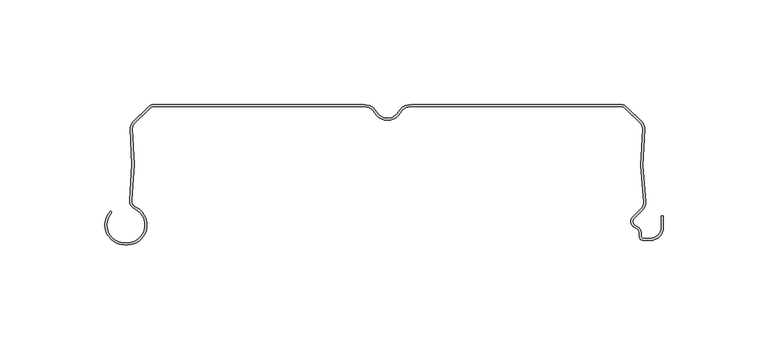
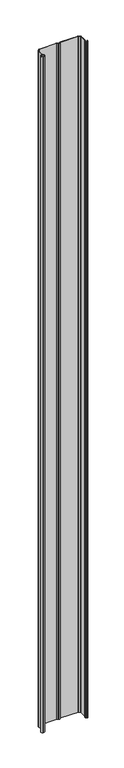
"""IFC4 building model written with IfcOpenShell, lengths in millimetres: plate geometry."""

import ifcopenshell
import ifcopenshell.guid

model = None  # the IFC model being written
_history = None  # IfcOwnerHistory: only IFC2X3 demands one
_inside = {}  # id of a spatial element -> (the spatial element, [elements in it])
_under = {}  # id of a project, library or spatial element -> (it, [spatial elements below it])
_declared = {}  # id of a project -> (the project, [libraries it declares])
_typed = {}  # id of a type object -> (the type object, [elements of that type])
_made_of = {}  # id of a material, layer set ... -> (it, [elements and type objects made of it])


def new_model(schema):
    """Start an empty IFC model of exactly this schema.

    Asked for "IFC4X3", IfcOpenShell would pick the latest addendum, in which some entities
    have other attributes; the version numbers below select the first issue.
    IFC2X3 requires an IfcOwnerHistory on every rooted entity: one is made here for all.
    """
    global model, _history
    if schema == "IFC4X3":
        model = ifcopenshell.file(schema_version=(4, 3, 0, 0))
    else:
        model = ifcopenshell.file(schema=schema)
    _inside.clear()
    _under.clear()
    _declared.clear()
    _typed.clear()
    _made_of.clear()
    _history = None
    if model.schema == "IFC2X3":
        org = make("IfcOrganization", Name="unknown")
        user = make(
            "IfcPersonAndOrganization",
            ThePerson=make("IfcPerson", FamilyName="unknown"),
            TheOrganization=org,
        )
        app = make(
            "IfcApplication",
            ApplicationDeveloper=org,
            Version="unknown",
            ApplicationFullName="unknown",
            ApplicationIdentifier="unknown",
        )
        _history = make(
            "IfcOwnerHistory",
            OwningUser=user,
            OwningApplication=app,
            ChangeAction="ADDED",
            CreationDate=0,
        )
    return model


def make(cls, **values):
    """One entity of the class cls with the attributes given. An attribute that is None is left unset."""
    return model.create_entity(
        cls, **{name: value for name, value in values.items() if value is not None}
    )


def rooted(cls, **values):
    """An entity with a GlobalId (a new one), such as an element, a storey or a relation."""
    return make(cls, GlobalId=ifcopenshell.guid.new(), OwnerHistory=_history, **values)


def si_unit(unit_type, name, prefix=None):
    """IfcSIUnit, for example si_unit("LENGTHUNIT", "METRE", prefix="MILLI")."""
    return make("IfcSIUnit", UnitType=unit_type, Prefix=prefix, Name=name)


def assignment(units):
    """IfcUnitAssignment: the units of a project."""
    return None if units is None else make("IfcUnitAssignment", Units=units)


def point(xyz):
    """IfcCartesianPoint."""
    return None if xyz is None else make("IfcCartesianPoint", Coordinates=xyz)


def direction(xyz):
    """IfcDirection."""
    return None if xyz is None else make("IfcDirection", DirectionRatios=xyz)


def frame(location, z_axis=None, x_axis=None):
    """IfcAxis2Placement3D, a coordinate frame: its origin and axes. An axis left out is left unset."""
    return make(
        "IfcAxis2Placement3D",
        Location=point(location),
        Axis=direction(z_axis),
        RefDirection=direction(x_axis),
    )


def frame_2d(location, x_axis=None):
    """IfcAxis2Placement2D, a coordinate frame in the plane: its origin and x axis."""
    return make(
        "IfcAxis2Placement2D", Location=point(location), RefDirection=direction(x_axis)
    )


def origin():
    """The frame at (0, 0, 0) with its axes left unset."""
    return frame((0.0, 0.0, 0.0))


def origin_with_axes():
    """The frame at (0, 0, 0) with the z axis (0, 0, 1) and the x axis (1, 0, 0) written out."""
    return frame((0.0, 0.0, 0.0), z_axis=(0.0, 0.0, 1.0), x_axis=(1.0, 0.0, 0.0))


def place(relative_to, where):
    """IfcLocalPlacement: puts the frame where relative to a parent placement (None: the world)."""
    return make(
        "IfcLocalPlacement", PlacementRelTo=relative_to, RelativePlacement=where
    )


def context(
    kind, dimensions, precision=None, world=None, true_north=None, identifier=None
):
    """IfcGeometricRepresentationContext, for example the 3D "Model" context."""
    return make(
        "IfcGeometricRepresentationContext",
        ContextIdentifier=identifier,
        ContextType=kind,
        CoordinateSpaceDimension=dimensions,
        Precision=precision,
        WorldCoordinateSystem=world,
        TrueNorth=true_north,
    )


def project(units=None, contexts=None):
    """IfcProject with its units and contexts."""
    return rooted(
        "IfcProject",
        Name="project",
        RepresentationContexts=contexts,
        UnitsInContext=assignment(units),
    )


def spatial(cls, under=None, at=None, **own):
    """A site, building, storey or space (cls), placed at a placement, below another one or the project."""
    s = rooted(cls, ObjectPlacement=at, **own)
    if under is not None:
        _under.setdefault(under.id(), (under, []))[1].append(s)
    return s


def polyline(points):
    """IfcPolyline through the points."""
    return make("IfcPolyline", Points=[point(p) for p in points])


def circle_curve(where, radius):
    """IfcCircle in the frame where."""
    return make("IfcCircle", Position=where, Radius=radius)


def trimmed(basis, trim1, trim2, sense, master):
    """IfcTrimmedCurve: the piece of a basis curve between two trims."""
    return make(
        "IfcTrimmedCurve",
        BasisCurve=basis,
        Trim1=trim1,
        Trim2=trim2,
        SenseAgreement=sense,
        MasterRepresentation=master,
    )


def segment(curve, same_sense, transition):
    """IfcCompositeCurveSegment."""
    return make(
        "IfcCompositeCurveSegment",
        Transition=transition,
        SameSense=same_sense,
        ParentCurve=curve,
    )


def composite_curve(segments, self_intersect=None):
    """IfcCompositeCurve: segments joined end to end."""
    return make("IfcCompositeCurve", Segments=segments, SelfIntersect=self_intersect)


def outline(outer, holes=None, kind="AREA"):
    """IfcArbitraryClosedProfileDef: a profile drawn as a closed curve; with holes, ...WithVoids."""
    if holes is None:
        return make("IfcArbitraryClosedProfileDef", ProfileType=kind, OuterCurve=outer)
    return make(
        "IfcArbitraryProfileDefWithVoids",
        ProfileType=kind,
        OuterCurve=outer,
        InnerCurves=holes,
    )


def extrude(swept, where, along, depth):
    """IfcExtrudedAreaSolid: the profile swept, set in the frame where, extruded along a direction by depth."""
    return make(
        "IfcExtrudedAreaSolid",
        SweptArea=swept,
        Position=where,
        ExtrudedDirection=direction(along),
        Depth=depth,
    )


def shape(context_of_items, identifier, shape_type, items):
    """IfcShapeRepresentation: the items that make up one representation, for example the "Body"."""
    return make(
        "IfcShapeRepresentation",
        ContextOfItems=context_of_items,
        RepresentationIdentifier=identifier,
        RepresentationType=shape_type,
        Items=items,
    )


def source(mapping_origin, context_of_items, identifier, shape_type, items):
    """IfcRepresentationMap: a shape defined once, which mapped items show again and again."""
    return make(
        "IfcRepresentationMap",
        MappingOrigin=mapping_origin,
        MappedRepresentation=shape(context_of_items, identifier, shape_type, items),
    )


def transform(
    local_origin,
    x_axis=None,
    y_axis=None,
    z_axis=None,
    scale=None,
    scale2=None,
    scale3=None,
    uniform=True,
):
    """IfcCartesianTransformationOperator3D, or its non-uniform kind. x_axis, y_axis, z_axis: its Axis1, 2, 3."""
    if uniform:
        return make(
            "IfcCartesianTransformationOperator3D",
            Axis1=direction(x_axis),
            Axis2=direction(y_axis),
            LocalOrigin=point(local_origin),
            Scale=scale,
            Axis3=direction(z_axis),
        )
    return make(
        "IfcCartesianTransformationOperator3DnonUniform",
        Axis1=direction(x_axis),
        Axis2=direction(y_axis),
        LocalOrigin=point(local_origin),
        Scale=scale,
        Axis3=direction(z_axis),
        Scale2=scale2,
        Scale3=scale3,
    )


def mapped(mapping_source, mapping_target):
    """IfcMappedItem: shows the shape of a source again, moved by a transform."""
    return make(
        "IfcMappedItem", MappingSource=mapping_source, MappingTarget=mapping_target
    )


def made_of(thing, what):
    """Note that an element or type object is made of a material, layer set ...; save() writes the relation."""
    if what is not None:
        _made_of.setdefault(what.id(), (what, []))[1].append(thing)
    return thing


def element(
    cls,
    number,
    at=None,
    inside=None,
    cuts=None,
    type_object=None,
    material=None,
    context=None,
    identifier="Body",
    shape_type=None,
    held_by="IfcProductDefinitionShape",
    body=None,
    shapes=None,
    **own,
):
    """One element of the class cls, such as IfcWall. Its Tag is "e" and its number.

    at: its placement. inside: the storey or other place that contains it. cuts: it is an
    opening in that element (IfcRelVoidsElement). A single representation is given by context,
    identifier, shape_type and body (its items); several are given by shapes. held_by: the class
    of the entity that holds the representations. save() writes the other relations.
    """
    e = rooted(cls, Tag="e%d" % number, ObjectPlacement=at, **own)
    if body is not None:
        shapes = [shape(context, identifier, shape_type, body)]
    if shapes is not None:
        e.Representation = make(held_by, Representations=shapes)
    if inside is not None:
        _inside.setdefault(inside.id(), (inside, []))[1].append(e)
    if cuts is not None:
        rooted(
            "IfcRelVoidsElement", RelatingBuildingElement=cuts, RelatedOpeningElement=e
        )
    if type_object is not None:
        _typed.setdefault(type_object.id(), (type_object, []))[1].append(e)
    return made_of(e, material)


def aggregate(whole, parts):
    """IfcRelAggregates: a whole, such as a stair, and the parts it consists of."""
    return rooted("IfcRelAggregates", RelatingObject=whole, RelatedObjects=parts)


def save(model, path):
    """Write the relations noted so far, then the file.

    IfcRelAggregates (storeys below a building ...), IfcRelContainedInSpatialStructure (elements
    in a storey), IfcRelDefinesByType, IfcRelAssociatesMaterial and IfcRelDeclares: one each for
    every whole, place, type object, material and project.
    """
    for whole, parts in _under.values():
        aggregate(whole, parts)
    for where, things in _inside.values():
        rooted(
            "IfcRelContainedInSpatialStructure",
            RelatedElements=things,
            RelatingStructure=where,
        )
    for kind, things in _typed.values():
        rooted("IfcRelDefinesByType", RelatedObjects=things, RelatingType=kind)
    for what, things in _made_of.values():
        rooted("IfcRelAssociatesMaterial", RelatedObjects=things, RelatingMaterial=what)
    for by, libraries in _declared.values():
        rooted("IfcRelDeclares", RelatingContext=by, RelatedDefinitions=libraries)
    model.write(path)


def plate_50b98450(model_context):
    return source(origin(), model_context, "Body", "SweptSolid", [
        extrude(outline(composite_curve([segment(polyline([(-125.5602537, -66.1554676), (-124.3062537, -66.1554676)]), True, "CONTINUOUS"), segment(trimmed(circle_curve(frame_2d((-124.3062537, -57.6554676)), 8.5), [point((-124.3062537, -66.1554676))], [point((-120.7922984, -49.9158218))], True, "CARTESIAN"), True, "CONTINUOUS"), segment(trimmed(circle_curve(frame_2d((-119.0973318, -46.1825808)), 4.1), [point((-120.7922984, -49.9158218))], [point((-123.16634, -45.6794186))], False, "CARTESIAN"), True, "CONTINUOUS"), segment(trimmed(circle_curve(frame_2d((-272.0324936, -27.2710429)), 150.0), [point((-123.16634, -45.6794186))], [point((-122.8298401, -11.8253904))], True, "CARTESIAN"), True, "CONTINUOUS"), segment(trimmed(circle_curve(frame_2d((-118.7516343, -11.4032093)), 4.1), [point((-122.8298401, -11.8253904))], [point((-121.6507721, -8.5040715))], False, "CARTESIAN"), True, "CONTINUOUS"), segment(polyline([(-121.6507721, -8.5040715), (-114.3475628, -1.2008622)]), True, "CONTINUOUS"), segment(trimmed(circle_curve(frame_2d((-111.448425, -4.1)), 4.1), [point((-114.3475628, -1.2008622))], [point((-111.448425, 0.0))], False, "CARTESIAN"), True, "CONTINUOUS"), segment(polyline([(-111.448425, 0.0), (-11.2583302, 0.0)]), True, "CONTINUOUS"), segment(trimmed(circle_curve(frame_2d((-11.2583302, -7.0)), 7.0), [point((-11.2583302, 0.0))], [point((-5.1961524, -3.5))], False, "CARTESIAN"), True, "CONTINUOUS"), segment(trimmed(circle_curve(frame_2d((0.0, -0.5)), 6.0), [point((-5.1961524, -3.5))], [point((0.0, -6.5))], True, "CARTESIAN"), True, "CONTINUOUS"), segment(trimmed(circle_curve(frame_2d((0.0, -0.5)), 6.0), [point((0.0, -6.5))], [point((5.1961524, -3.5))], True, "CARTESIAN"), True, "CONTINUOUS"), segment(trimmed(circle_curve(frame_2d((11.2583302, -7.0)), 7.0), [point((5.1961524, -3.5))], [point((11.2583302, 0.0))], False, "CARTESIAN"), True, "CONTINUOUS"), segment(polyline([(11.2583302, 0.0), (111.448425, 0.0)]), True, "CONTINUOUS"), segment(trimmed(circle_curve(frame_2d((111.448425, -4.1)), 4.1), [point((111.448425, 0.0))], [point((114.3475628, -1.2008622))], False, "CARTESIAN"), True, "CONTINUOUS"), segment(polyline([(114.3475628, -1.2008622), (121.6502641, -8.5035635)]), True, "CONTINUOUS"), segment(trimmed(circle_curve(frame_2d((118.7511263, -11.4027013)), 4.1), [point((121.6502641, -8.5035635))], [point((122.8293419, -11.8247881))], False, "CARTESIAN"), True, "CONTINUOUS"), segment(trimmed(circle_curve(frame_2d((272.0323527, -27.2669893)), 150.0), [point((122.8293419, -11.8247881))], [point((123.2850443, -46.6122279))], True, "CARTESIAN"), True, "CONTINUOUS"), segment(trimmed(circle_curve(frame_2d((118.9914802, -47.1706247)), 4.3297228), [point((123.2850443, -46.6122279))], [point((121.9270443, -50.3532279))], False, "CARTESIAN"), True, "CONTINUOUS"), segment(polyline([(121.9270443, -50.3532279), (117.893169, -54.3871033)]), True, "CONTINUOUS"), segment(trimmed(circle_curve(frame_2d((119.4488039, -55.9427382)), 2.2), [point((117.893169, -54.3871033))], [point((118.6238714, -57.98222))], True, "CARTESIAN"), True, "CONTINUOUS"), segment(trimmed(circle_curve(frame_2d((117.0490001, -61.8757763)), 4.2), [point((118.6238714, -57.98222))], [point((121.2490002, -61.8757763))], False, "CARTESIAN"), True, "CONTINUOUS"), segment(polyline([(121.2490002, -61.8757763), (121.2490002, -63.0)]), True, "CONTINUOUS"), segment(trimmed(circle_curve(frame_2d((122.2490002, -63.0)), 1.0), [point((121.2490002, -63.0))], [point((122.2490002, -64.0))], True, "CARTESIAN"), True, "CONTINUOUS"), segment(polyline([(122.2490002, -64.0), (125.5500002, -64.0)]), True, "CONTINUOUS"), segment(trimmed(circle_curve(frame_2d((125.5500002, -58.8)), 5.2), [point((125.5500002, -64.0))], [point((130.7500002, -58.8))], True, "CARTESIAN"), True, "CONTINUOUS"), segment(polyline([(130.7500002, -58.8), (130.7500002, -53.169), (131.7500002, -53.169), (131.7500002, -58.8)]), True, "CONTINUOUS"), segment(trimmed(circle_curve(frame_2d((125.5500002, -58.8)), 6.2), [point((131.7500002, -58.8))], [point((125.5500002, -65.0))], False, "CARTESIAN"), True, "CONTINUOUS"), segment(polyline([(125.5500002, -65.0), (122.2490002, -65.0)]), True, "CONTINUOUS"), segment(trimmed(circle_curve(frame_2d((122.2490002, -63.0)), 2.0), [point((122.2490002, -65.0))], [point((120.2490002, -63.0))], False, "CARTESIAN"), True, "CONTINUOUS"), segment(polyline([(120.2490002, -63.0), (120.2490002, -61.8757763)]), True, "CONTINUOUS"), segment(trimmed(circle_curve(frame_2d((117.0490001, -61.8757763)), 3.2), [point((120.2490002, -61.8757763))], [point((118.248902, -58.9092572))], True, "CARTESIAN"), True, "CONTINUOUS"), segment(trimmed(circle_curve(frame_2d((119.4488039, -55.9427382)), 3.2), [point((118.248902, -58.9092572))], [point((117.1860622, -53.6799965))], False, "CARTESIAN"), True, "CONTINUOUS"), segment(polyline([(117.1860622, -53.6799965), (121.2351435, -49.6309152)]), True, "CONTINUOUS"), segment(trimmed(circle_curve(frame_2d((118.9914802, -47.1706247)), 3.3297228), [point((121.2351435, -49.6309152))], [point((122.2933956, -46.7411962))], True, "CARTESIAN"), True, "CONTINUOUS"), segment(trimmed(circle_curve(frame_2d((272.0323527, -27.2669893)), 151.0), [point((122.2933956, -46.7411962))], [point((121.8346552, -11.7218401))], False, "CARTESIAN"), True, "CONTINUOUS"), segment(trimmed(circle_curve(frame_2d((118.7511263, -11.4027013)), 3.1), [point((121.8346552, -11.7218401))], [point((120.9431573, -9.2106703))], True, "CARTESIAN"), True, "CONTINUOUS"), segment(polyline([(120.9431573, -9.2106703), (113.640456, -1.907969)]), True, "CONTINUOUS"), segment(trimmed(circle_curve(frame_2d((111.448425, -4.1)), 3.1), [point((113.640456, -1.907969))], [point((111.448425, -1.0))], True, "CARTESIAN"), True, "CONTINUOUS"), segment(polyline([(111.448425, -1.0), (11.2583302, -1.0)]), True, "CONTINUOUS"), segment(trimmed(circle_curve(frame_2d((11.2583302, -7.0)), 6.0), [point((11.2583302, -1.0))], [point((6.0621778, -4.0))], True, "CARTESIAN"), True, "CONTINUOUS"), segment(trimmed(circle_curve(frame_2d((0.0, -0.5)), 7.0), [point((6.0621778, -4.0))], [point((0.0, -7.5))], False, "CARTESIAN"), True, "CONTINUOUS"), segment(trimmed(circle_curve(frame_2d((0.0, -0.5)), 7.0), [point((0.0, -7.5))], [point((-6.0621778, -4.0))], False, "CARTESIAN"), True, "CONTINUOUS"), segment(trimmed(circle_curve(frame_2d((-11.2583302, -7.0)), 6.0), [point((-6.0621778, -4.0))], [point((-11.2583302, -1.0))], True, "CARTESIAN"), True, "CONTINUOUS"), segment(polyline([(-11.2583302, -1.0), (-111.448425, -1.0)]), True, "CONTINUOUS"), segment(trimmed(circle_curve(frame_2d((-111.448425, -4.1)), 3.1), [point((-111.448425, -1.0))], [point((-113.640456, -1.907969))], True, "CARTESIAN"), True, "CONTINUOUS"), segment(polyline([(-113.640456, -1.907969), (-120.9436653, -9.2111782)]), True, "CONTINUOUS"), segment(trimmed(circle_curve(frame_2d((-118.7516343, -11.4032093)), 3.1), [point((-120.9436653, -9.2111782))], [point((-121.8351558, -11.7224194))], True, "CARTESIAN"), True, "CONTINUOUS"), segment(trimmed(circle_curve(frame_2d((-272.0324936, -27.2710429)), 151.0), [point((-121.8351558, -11.7224194))], [point((-122.173899, -45.8021411))], False, "CARTESIAN"), True, "CONTINUOUS"), segment(trimmed(circle_curve(frame_2d((-119.0973318, -46.1825808)), 3.1), [point((-122.173899, -45.8021411))], [point((-120.3788919, -49.0052752))], True, "CARTESIAN"), True, "CONTINUOUS"), segment(trimmed(circle_curve(frame_2d((-124.3062537, -57.6554676)), 9.5), [point((-120.3788919, -49.0052752))], [point((-124.3062537, -67.1554676))], False, "CARTESIAN"), True, "CONTINUOUS"), segment(polyline([(-124.3062537, -67.1554676), (-125.5602537, -67.1554676)]), True, "CONTINUOUS"), segment(trimmed(circle_curve(frame_2d((-125.5602537, -57.6554676)), 9.5), [point((-125.5602537, -67.1554676))], [point((-132.2777682, -50.9379532))], False, "CARTESIAN"), True, "CONTINUOUS"), segment(polyline([(-132.2777682, -50.9379532), (-131.5706614, -51.64506)]), True, "CONTINUOUS"), segment(trimmed(circle_curve(frame_2d((-125.5602537, -57.6554676)), 8.5), [point((-131.5706614, -51.64506))], [point((-125.5602537, -66.1554676))], True, "CARTESIAN"), True, "CONTINUOUS")], self_intersect=False)), origin_with_axes(), (0.0, 0.0, 1.0), 4061.7064475),
    ])


if __name__ == "__main__":
    model = new_model("IFC4")
    model_context = context("Model", 3, world=origin())
    ifc_project = project(units=[si_unit("LENGTHUNIT", "METRE", prefix="MILLI")], contexts=[model_context])
    site = spatial("IfcSite", under=ifc_project)
    building = spatial("IfcBuilding", under=site)
    placement = place(None, origin())
    plate_shape = plate_50b98450(model_context)
    element("IfcPlate", 1, at=placement, inside=building, context=model_context, shape_type="MappedRepresentation", body=[
        mapped(plate_shape, transform((0.0, 0.0, 0.0), x_axis=(1.0, 0.0, 0.0), y_axis=(0.0, 1.0, 0.0), z_axis=(0.0, 0.0, 1.0))),
    ])
    save(model, "model.ifc")
